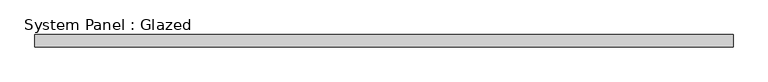
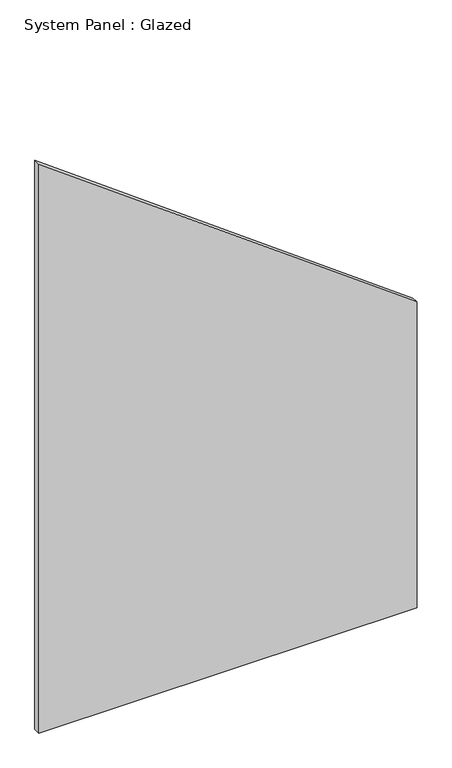
"""IFC4 building model written with IfcOpenShell, lengths in millimetres: plate geometry, System Panel : Glazed."""

from ifc_helpers import new_model, si_unit, frame, origin, place, context, project, spatial, polyline, outline, extrude, source, transform, mapped, element, save


def system_panel_glazed_407b425c(model_context):
    return source(origin(), model_context, "Body", "SweptSolid", [
        extrude(outline(polyline([(0.0, -699.256285), (0.0, 699.256285), (1195.6271704, 699.256285), (2223.9898646, -699.256285), (0.0, -699.256285)])), frame((0.0, -49.5, 0.0), z_axis=(0.0, 1.0, 0.0), x_axis=(0.0, 0.0, 1.0)), (0.0, 0.0, 1.0), 25.0),
    ])


if __name__ == "__main__":
    model = new_model("IFC4")
    model_context = context("Model", 3, world=origin())
    ifc_project = project(units=[si_unit("LENGTHUNIT", "METRE", prefix="MILLI")], contexts=[model_context])
    site = spatial("IfcSite", under=ifc_project)
    building = spatial("IfcBuilding", under=site)
    placement = place(None, origin())
    system_panel_glazed_shape = system_panel_glazed_407b425c(model_context)
    element("IfcPlate", 1, ObjectType="System Panel : Glazed", at=placement, inside=building, context=model_context, shape_type="MappedRepresentation", body=[
        mapped(system_panel_glazed_shape, transform((0.0, 0.0, 0.0), x_axis=(1.0, 0.0, 0.0), y_axis=(0.0, 1.0, 0.0), z_axis=(0.0, 0.0, 1.0))),
    ])
    save(model, "model.ifc")
